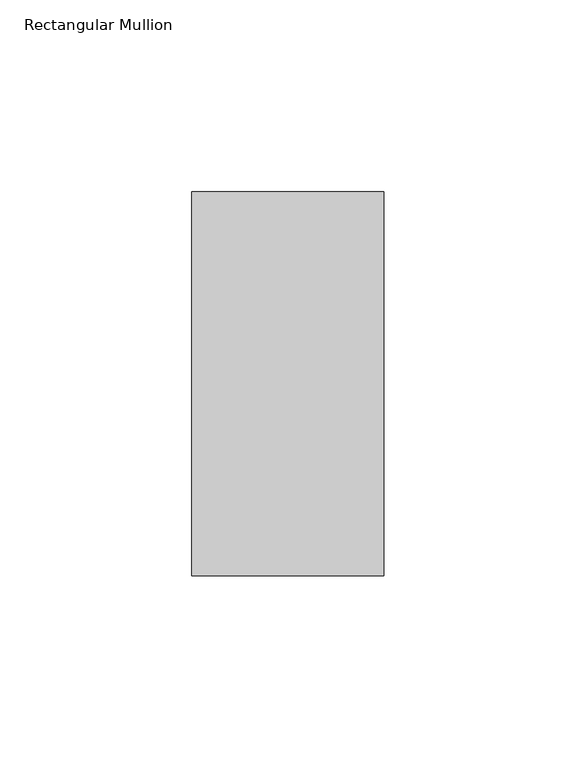
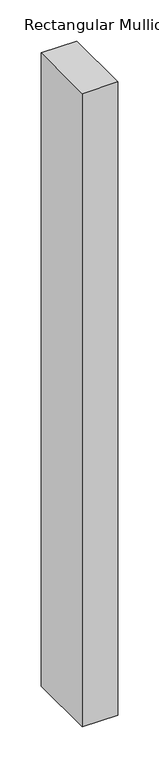
"""IFC4 building model written with IfcOpenShell, lengths in millimetres: member geometry, Rectangular Mullion."""

from ifc_helpers import new_model, si_unit, frame, origin, place, context, project, spatial, polyline, outline, extrude, source, transform, mapped, element, save


def rectangular_mullion_4f0d96b3(model_context):
    return source(origin(), model_context, "Body", "SweptSolid", [
        extrude(outline(polyline([(25.0, 31.0), (25.0, -69.0), (-25.0, -69.0), (-25.0, 31.0), (25.0, 31.0)])), frame((0.0, 0.0, -940.0), z_axis=(0.0, 0.0, 1.0), x_axis=(1.0, 0.0, 0.0)), (0.0, 0.0, 1.0), 940.0),
    ])


if __name__ == "__main__":
    model = new_model("IFC4")
    model_context = context("Model", 3, world=origin())
    ifc_project = project(units=[si_unit("LENGTHUNIT", "METRE", prefix="MILLI")], contexts=[model_context])
    site = spatial("IfcSite", under=ifc_project)
    building = spatial("IfcBuilding", under=site)
    placement = place(None, origin())
    rectangular_mullion_shape = rectangular_mullion_4f0d96b3(model_context)
    element("IfcMember", 1, ObjectType="Rectangular Mullion", at=placement, inside=building, context=model_context, shape_type="MappedRepresentation", body=[
        mapped(rectangular_mullion_shape, transform((0.0, 0.0, 0.0), x_axis=(1.0, 0.0, 0.0), y_axis=(0.0, 1.0, 0.0), z_axis=(0.0, 0.0, 1.0))),
    ])
    save(model, "model.ifc")
